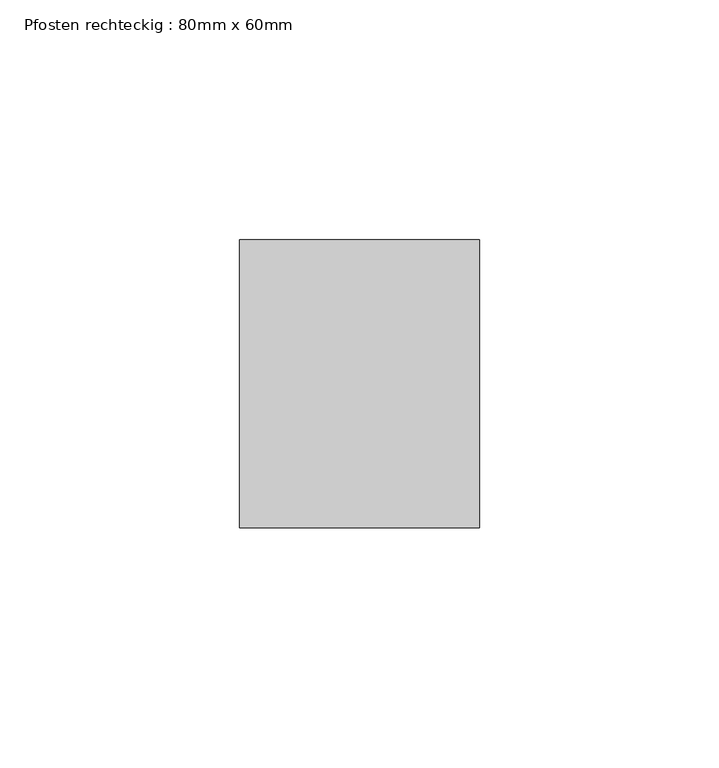
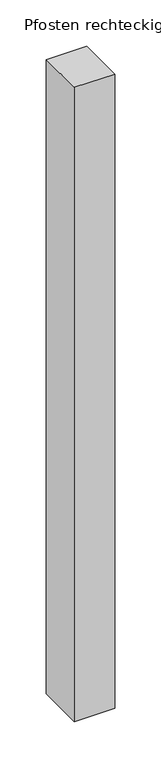
"""IFC4 building model written with IfcOpenShell, lengths in millimetres: member geometry, Pfosten rechteckig : 80mm x 60mm."""

from ifc_helpers import new_model, si_unit, frame, origin, place, context, project, spatial, polyline, outline, extrude, source, transform, mapped, element, save


def pfosten_rechteckig_80mm_x_60mm_5f1cbd4f(model_context):
    return source(origin(), model_context, "Body", "SweptSolid", [
        extrude(outline(polyline([(25.0, 30.0), (25.0, -30.0), (-25.0, -30.0), (-25.0, 30.0), (25.0, 30.0)])), frame((0.0, 0.0, -833.3333333), z_axis=(0.0, 0.0, 1.0), x_axis=(1.0, 0.0, 0.0)), (0.0, 0.0, 1.0), 833.3333333),
    ])


if __name__ == "__main__":
    model = new_model("IFC4")
    model_context = context("Model", 3, world=origin())
    ifc_project = project(units=[si_unit("LENGTHUNIT", "METRE", prefix="MILLI")], contexts=[model_context])
    site = spatial("IfcSite", under=ifc_project)
    building = spatial("IfcBuilding", under=site)
    placement = place(None, origin())
    pfosten_rechteckig_80mm_x_60mm_shape = pfosten_rechteckig_80mm_x_60mm_5f1cbd4f(model_context)
    element("IfcMember", 1, ObjectType="Pfosten rechteckig : 80mm x 60mm", at=placement, inside=building, context=model_context, shape_type="MappedRepresentation", body=[
        mapped(pfosten_rechteckig_80mm_x_60mm_shape, transform((0.0, 0.0, 0.0), x_axis=(1.0, 0.0, 0.0), y_axis=(0.0, 1.0, 0.0), z_axis=(0.0, 0.0, 1.0))),
    ])
    save(model, "model.ifc")
